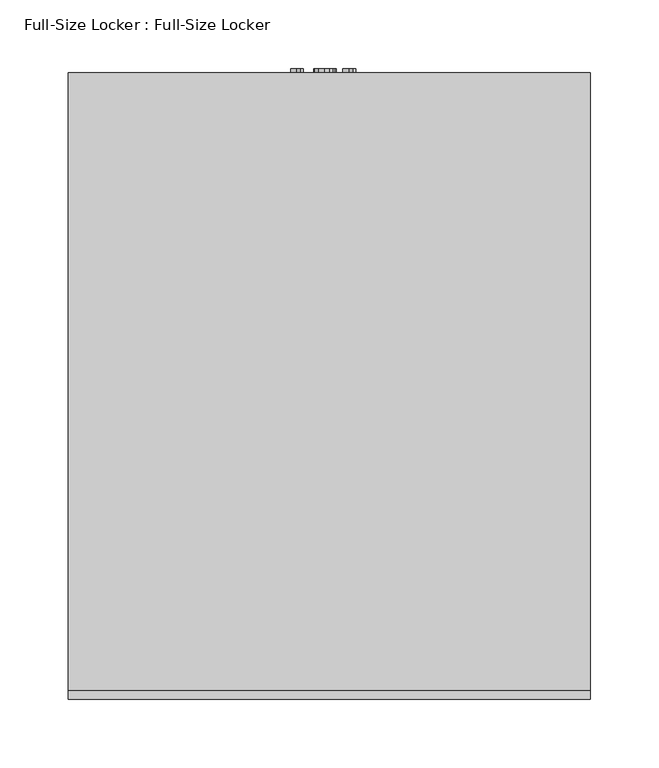
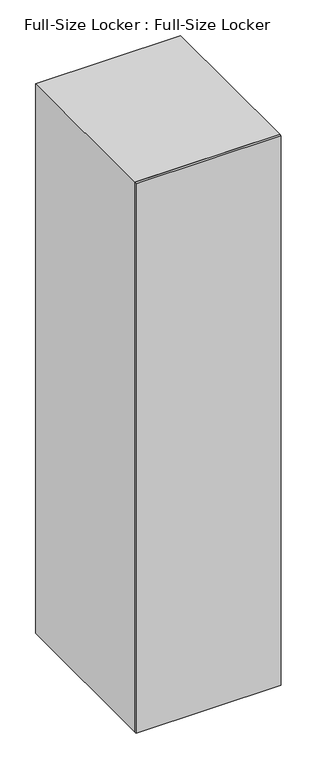
"""IFC4 building model written with IfcOpenShell, lengths in millimetres: furniture geometry, Full-Size Locker : Full-Size Locker."""

from ifc_helpers import new_model, si_unit, point, frame, frame_2d, origin, origin_with_axes, place, context, project, spatial, polyline, circle_curve, trimmed, segment, composite_curve, outline, extrude, source, transform, mapped, element, save
from ifc_brep_helpers import plane_surface, cylinder_surface, revolved_surface, advanced_brep


def full_size_locker_full_size_locker_d4115688(model_context):
    return source(origin(), model_context, "Body", "SolidModel", [
        extrude(outline(polyline([(1498.6, 177.8), (1498.6, -177.8), (0.0, -177.8), (0.0, 177.8), (1498.6, 177.8)]), holes=[polyline([(1375.3615171, 76.2), (1362.6615171, 76.2), (1362.6615171, -76.2), (1375.3615171, -76.2), (1375.3615171, 76.2)]), polyline([(1349.9615171, 76.2), (1337.2615171, 76.2), (1337.2615171, -76.2), (1349.9615171, -76.2), (1349.9615171, 76.2)]), polyline([(1324.5615171, 76.2), (1311.8615171, 76.2), (1311.8615171, -76.2), (1324.5615171, -76.2), (1324.5615171, 76.2)])]), frame((0.0, 298.45, 0.0), z_axis=(0.0, 1.0, 0.0), x_axis=(0.0, 0.0, 1.0)), (0.0, 0.0, 1.0), 6.35),
        extrude(outline(polyline([(177.8, 279.4), (177.8, 273.05), (-177.8, 273.05), (-177.8, 279.4), (177.8, 279.4)])), frame((0.0, 0.0, 76.2), z_axis=(0.0, 0.0, 1.0), x_axis=(1.0, 0.0, 0.0)), (0.0, 0.0, 1.0), 1422.4),
        extrude(outline(polyline([(1524.0, 190.5), (1524.0, -190.5), (0.0, -190.5), (0.0, 190.5), (1524.0, 190.5)]), holes=[polyline([(76.2, -177.8), (1498.6, -177.8), (1498.6, 177.8), (76.2, 177.8), (76.2, -177.8)])]), frame((0.0, -146.05, 0.0), z_axis=(0.0, 1.0, 0.0), x_axis=(0.0, 0.0, 1.0)), (0.0, 0.0, 1.0), 450.85),
        extrude(outline(polyline([(190.5, -146.05), (190.5, -152.4), (-190.5, -152.4), (-190.5, -146.05), (190.5, -146.05)])), origin_with_axes(), (0.0, 0.0, 1.0), 1524.0),
        extrude(outline(polyline([(1259.2753143, -19.0318563), (1284.284545, -19.0318563), (1284.284545, -21.0467601), (1280.9569008, -23.827938), (1278.0322373, -28.4103178), (1275.077045, -28.4103178), (1276.6553864, -25.1193082), (1278.7649296, -22.1580101), (1259.2753143, -22.1580101), (1259.2753143, -19.0318563)])), frame((0.0, 304.8, 0.0), z_axis=(0.0, 1.0, 0.0), x_axis=(0.0, 0.0, 1.0)), (0.0, 0.0, 1.0), 3.175),
        extrude(outline(polyline([(1271.5784393, -11.6072409), (1261.265795, -9.1160871), (1258.884545, -3.4010871), (1260.2552902, 1.175187), (1264.4133191, 3.8953072), (1271.5784393, 4.8050668), (1277.4552421, 4.2372302), (1281.1553383, 2.7718456), (1283.4785835, 0.2501629), (1284.284545, -3.4010871), (1282.9229585, -7.9590438), (1278.7740883, -10.6883226), (1271.5784393, -11.6072409)]), holes=[polyline([(1271.584545, -8.4810871), (1279.4854104, -6.9668563), (1281.1583912, -3.4377217), (1279.259497, 0.2623745), (1271.584545, 1.6789129), (1263.8271652, 0.2135283), (1262.0106989, -3.4010871), (1263.8210595, -7.0157024), (1271.584545, -8.4810871)])]), frame((0.0, 304.8, 0.0), z_axis=(0.0, 1.0, 0.0), x_axis=(0.0, 0.0, 1.0)), (0.0, 0.0, 1.0), 3.175),
        extrude(outline(polyline([(1259.2753143, 19.2635283), (1284.284545, 19.2635283), (1284.284545, 17.2486245), (1280.9569008, 14.4674466), (1278.0322373, 9.8850668), (1275.077045, 9.8850668), (1276.6553864, 13.1760764), (1278.7649296, 16.1373745), (1259.2753143, 16.1373745), (1259.2753143, 19.2635283)])), frame((0.0, 304.8, 0.0), z_axis=(0.0, 1.0, 0.0), x_axis=(0.0, 0.0, 1.0)), (0.0, 0.0, 1.0), 3.175),
        advanced_brep(
        [(-158.75, 57.15, 1105.5799451), (-165.1, 57.15, 1105.5799451), (-165.1, 95.25, 1105.5799451), (-158.75, 95.25, 1105.5799451), (-146.05, 62.3205445, 1105.5799451), (-158.75, 62.3205445, 1105.5799451), (-158.75, 90.0794555, 1105.5799451), (-146.05, 90.0794555, 1105.5799451), (-165.1, 63.5, 1105.5799451), (-146.05, 63.5, 1105.5799451), (-146.05, 88.9, 1105.5799451), (-165.1, 88.9, 1105.5799451)],
        [
            (0, 1),
            (1, 2, circle_curve(frame((-165.1, 76.2, 1105.5799451), z_axis=(1.0, 0.0, 0.0), x_axis=(0.0, 1.0, 0.0)), 19.05)),
            (2, 3),
            (3, 0, circle_curve(frame((-158.75, 76.2, 1105.5799451), z_axis=(-1.0, 0.0, 0.0), x_axis=(0.0, 1.0, 0.0)), 19.05)),
            (4, 5),
            (5, 6, circle_curve(frame((-158.75, 76.2, 1105.5799451), z_axis=(1.0, 0.0, 0.0), x_axis=(0.0, 1.0, 0.0)), 13.8794555)),
            (6, 7),
            (7, 4, circle_curve(frame((-146.05, 76.2, 1105.5799451), z_axis=(-1.0, 0.0, 0.0), x_axis=(0.0, 1.0, 0.0)), 13.8794555)),
            (8, 9),
            (9, 10, circle_curve(frame((-146.05, 76.2, 1105.5799451), z_axis=(1.0, 0.0, 0.0), x_axis=(0.0, 1.0, 0.0)), 12.7)),
            (10, 11),
            (11, 8, circle_curve(frame((-165.1, 76.2, 1105.5799451), z_axis=(-1.0, 0.0, 0.0), x_axis=(0.0, 1.0, 0.0)), 12.7)),
            (1, 2, circle_curve(frame((-165.1, 76.2, 1105.5799451), z_axis=(-1.0, 0.0, 0.0), x_axis=(0.0, -1.0, 0.0)), 19.05)),
            (11, 8, circle_curve(frame((-165.1, 76.2, 1105.5799451), z_axis=(1.0, 0.0, 0.0), x_axis=(0.0, -1.0, 0.0)), 12.7)),
            (0, 3, circle_curve(frame((-158.75, 76.2, 1105.5799451), z_axis=(-1.0, 0.0, 0.0), x_axis=(0.0, -1.0, 0.0)), 19.05)),
            (5, 6, circle_curve(frame((-158.75, 76.2, 1105.5799451), z_axis=(-1.0, 0.0, 0.0), x_axis=(0.0, -1.0, 0.0)), 13.8794555)),
            (4, 7, circle_curve(frame((-146.05, 76.2, 1105.5799451), z_axis=(-1.0, 0.0, 0.0), x_axis=(0.0, -1.0, 0.0)), 13.8794555)),
            (9, 10, circle_curve(frame((-146.05, 76.2, 1105.5799451), z_axis=(-1.0, 0.0, 0.0), x_axis=(0.0, -1.0, 0.0)), 12.7)),
        ],
        [
            cylinder_surface(frame((0.0, 76.2, 1105.5799451), z_axis=(1.0, 0.0, 0.0), x_axis=(0.0, 1.0, 0.0)), 19.05),
            cylinder_surface(frame((0.0, 76.2, 1105.5799451), z_axis=(1.0, 0.0, 0.0), x_axis=(0.0, 1.0, 0.0)), 13.8794555),
            revolved_surface(polyline([(-146.05, 88.9, 1105.5799451), (-165.1, 88.9, 1105.5799451)]), (0.0, 76.2, 1105.5799451), (1.0, 0.0, 0.0)),
            plane_surface(frame((-165.1, 76.2, 1105.5799451), z_axis=(-1.0, 0.0, 0.0), x_axis=(0.0, -1.0, 0.0))),
            cylinder_surface(frame((0.0, 76.2, 1105.5799451), z_axis=(1.0, 0.0, 0.0), x_axis=(0.0, -1.0, 0.0)), 19.05),
            plane_surface(frame((-158.75, 76.2, 1105.5799451), z_axis=(1.0, 0.0, 0.0), x_axis=(0.0, -1.0, 0.0))),
            cylinder_surface(frame((0.0, 76.2, 1105.5799451), z_axis=(1.0, 0.0, 0.0), x_axis=(0.0, -1.0, 0.0)), 13.8794555),
            plane_surface(frame((-146.05, 76.2, 1105.5799451), z_axis=(1.0, 0.0, 0.0), x_axis=(0.0, -1.0, 0.0))),
            revolved_surface(polyline([(-146.05, 63.5, 1105.5799451), (-165.1, 63.5, 1105.5799451)]), (0.0, 76.2, 1105.5799451), (1.0, 0.0, 0.0)),
        ],
        [
            (0, [[1, 2, 3, 4]]),
            (1, [[5, 6, 7, 8]]),
            (2, [[9, 10, 11, 12]]),
            (3, [[-2, 13], [-12, 14]]),
            (4, [[-3, -13, -1, 15]]),
            (5, [[-4, -15], [-6, 16]]),
            (6, [[-7, -16, -5, 17]]),
            (7, [[-8, -17], [-10, 18]]),
            (8, [[-11, -18, -9, -14]]),
        ],
    ),
        advanced_brep(
        [(146.05, 63.5, 1105.5799451), (165.1, 63.5, 1105.5799451), (165.1, 88.9, 1105.5799451), (146.05, 88.9, 1105.5799451), (158.75, 62.3205445, 1105.5799451), (146.05, 62.3205445, 1105.5799451), (146.05, 90.0794555, 1105.5799451), (158.75, 90.0794555, 1105.5799451), (165.1, 57.15, 1105.5799451), (158.75, 57.15, 1105.5799451), (158.75, 95.25, 1105.5799451), (165.1, 95.25, 1105.5799451)],
        [
            (0, 1),
            (1, 2, circle_curve(frame((165.1, 76.2, 1105.5799451), z_axis=(1.0, 0.0, 0.0), x_axis=(0.0, 1.0, 0.0)), 12.7)),
            (2, 3),
            (3, 0, circle_curve(frame((146.05, 76.2, 1105.5799451), z_axis=(-1.0, 0.0, 0.0), x_axis=(0.0, 1.0, 0.0)), 12.7)),
            (4, 5),
            (5, 6, circle_curve(frame((146.05, 76.2, 1105.5799451), z_axis=(1.0, 0.0, 0.0), x_axis=(0.0, 1.0, 0.0)), 13.8794555)),
            (6, 7),
            (7, 4, circle_curve(frame((158.75, 76.2, 1105.5799451), z_axis=(-1.0, 0.0, 0.0), x_axis=(0.0, 1.0, 0.0)), 13.8794555)),
            (8, 9),
            (9, 10, circle_curve(frame((158.75, 76.2, 1105.5799451), z_axis=(1.0, 0.0, 0.0), x_axis=(0.0, 1.0, 0.0)), 19.05)),
            (10, 11),
            (11, 8, circle_curve(frame((165.1, 76.2, 1105.5799451), z_axis=(-1.0, 0.0, 0.0), x_axis=(0.0, 1.0, 0.0)), 19.05)),
            (2, 1, circle_curve(frame((165.1, 76.2, 1105.5799451), z_axis=(1.0, 0.0, 0.0), x_axis=(0.0, -1.0, 0.0)), 12.7)),
            (0, 3, circle_curve(frame((146.05, 76.2, 1105.5799451), z_axis=(-1.0, 0.0, 0.0), x_axis=(0.0, -1.0, 0.0)), 12.7)),
            (5, 6, circle_curve(frame((146.05, 76.2, 1105.5799451), z_axis=(-1.0, 0.0, 0.0), x_axis=(0.0, -1.0, 0.0)), 13.8794555)),
            (4, 7, circle_curve(frame((158.75, 76.2, 1105.5799451), z_axis=(-1.0, 0.0, 0.0), x_axis=(0.0, -1.0, 0.0)), 13.8794555)),
            (9, 10, circle_curve(frame((158.75, 76.2, 1105.5799451), z_axis=(-1.0, 0.0, 0.0), x_axis=(0.0, -1.0, 0.0)), 19.05)),
            (8, 11, circle_curve(frame((165.1, 76.2, 1105.5799451), z_axis=(-1.0, 0.0, 0.0), x_axis=(0.0, -1.0, 0.0)), 19.05)),
        ],
        [
            revolved_surface(polyline([(165.1, 88.9, 1105.5799451), (146.05, 88.9, 1105.5799451)]), (0.0, 76.2, 1105.5799451), (1.0, 0.0, 0.0)),
            cylinder_surface(frame((0.0, 76.2, 1105.5799451), z_axis=(1.0, 0.0, 0.0), x_axis=(0.0, 1.0, 0.0)), 13.8794555),
            cylinder_surface(frame((0.0, 76.2, 1105.5799451), z_axis=(1.0, 0.0, 0.0), x_axis=(0.0, 1.0, 0.0)), 19.05),
            revolved_surface(polyline([(165.1, 63.5, 1105.5799451), (146.05, 63.5, 1105.5799451)]), (0.0, 76.2, 1105.5799451), (1.0, 0.0, 0.0)),
            plane_surface(frame((146.05, 76.2, 1105.5799451), z_axis=(-1.0, 0.0, 0.0), x_axis=(0.0, -1.0, 0.0))),
            cylinder_surface(frame((0.0, 76.2, 1105.5799451), z_axis=(1.0, 0.0, 0.0), x_axis=(0.0, -1.0, 0.0)), 13.8794555),
            plane_surface(frame((158.75, 76.2, 1105.5799451), z_axis=(-1.0, 0.0, 0.0), x_axis=(0.0, -1.0, 0.0))),
            cylinder_surface(frame((0.0, 76.2, 1105.5799451), z_axis=(1.0, 0.0, 0.0), x_axis=(0.0, -1.0, 0.0)), 19.05),
            plane_surface(frame((165.1, 76.2, 1105.5799451), z_axis=(1.0, 0.0, 0.0), x_axis=(0.0, -1.0, 0.0))),
        ],
        [
            (0, [[1, 2, 3, 4]]),
            (1, [[5, 6, 7, 8]]),
            (2, [[9, 10, 11, 12]]),
            (3, [[-3, 13, -1, 14]]),
            (4, [[-6, 15], [-4, -14]]),
            (5, [[-7, -15, -5, 16]]),
            (6, [[-10, 17], [-8, -16]]),
            (7, [[-11, -17, -9, 18]]),
            (8, [[-12, -18], [-2, -13]]),
        ],
    ),
        extrude(outline(composite_curve([segment(trimmed(circle_curve(frame_2d((76.2, 1105.5799451)), 12.7), [point((88.9, 1105.5799451))], [point((63.5, 1105.5799451))], False, "CARTESIAN"), True, "CONTINUOUS"), segment(trimmed(circle_curve(frame_2d((76.2, 1105.5799451)), 12.7), [point((63.5, 1105.5799451))], [point((88.9, 1105.5799451))], False, "CARTESIAN"), True, "CONTINUOUS")], self_intersect=False)), frame((-177.8, 0.0, 0.0), z_axis=(1.0, 0.0, 0.0), x_axis=(0.0, 1.0, 0.0)), (0.0, 0.0, 1.0), 342.9),
        extrude(outline(polyline([(165.1, 298.45), (165.1, -146.05), (-177.8, -146.05), (-177.8, 298.45), (165.1, 298.45)])), frame((0.0, 0.0, 1320.8), z_axis=(0.0, 0.0, 1.0), x_axis=(1.0, 0.0, 0.0)), (0.0, 0.0, 1.0), 6.35),
    ])


if __name__ == "__main__":
    model = new_model("IFC4")
    model_context = context("Model", 3, world=origin())
    ifc_project = project(units=[si_unit("LENGTHUNIT", "METRE", prefix="MILLI")], contexts=[model_context])
    site = spatial("IfcSite", under=ifc_project)
    building = spatial("IfcBuilding", under=site)
    placement = place(None, origin())
    full_size_locker_full_size_locker_shape = full_size_locker_full_size_locker_d4115688(model_context)
    element("IfcFurniture", 1, ObjectType="Full-Size Locker : Full-Size Locker", at=placement, inside=building, context=model_context, shape_type="MappedRepresentation", body=[
        mapped(full_size_locker_full_size_locker_shape, transform((0.0, 0.0, 0.0), x_axis=(1.0, 0.0, 0.0), y_axis=(0.0, 1.0, 0.0), z_axis=(0.0, 0.0, 1.0))),
    ])
    save(model, "model.ifc")
